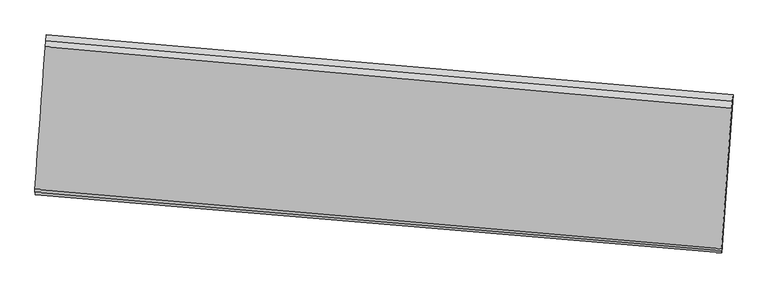
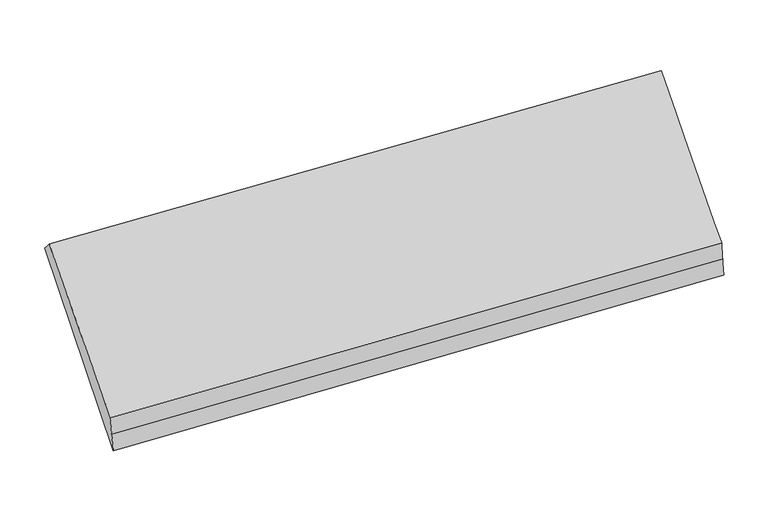
"""IFC4 building model written with IfcOpenShell, lengths in millimetres: proxy geometry."""

from ifc_helpers import new_model, si_unit, frame, origin, place, context, project, spatial, source, transform, mapped, element, save
from ifc_brep_helpers import plane_surface, spline_surface, advanced_brep


def generic_models_e1e66f93(model_context):
    return source(origin(), model_context, "Body", "AdvancedBrep", [
        advanced_brep(
        [(-5198.7093469, -733.9020101, 2320.5786746), (-5203.0823969, -775.3702643, 2364.5174357), (-444.8847935, -1194.948738, 2451.7507322), (-440.0474141, -1149.0773947, 2403.1465642), (-5277.055847, -1842.3563638, 1266.6509158), (-517.3588443, -2242.8874728, 1363.1427063), (-5277.6289556, -1822.8160371, 1398.2082865), (-518.480908, -2229.7460308, 1494.2050227), (-5278.2020641, -1803.2757103, 1529.7656573), (-519.6029716, -2216.6045887, 1625.2673392), (-5207.455447, -816.8385184, 2408.4561968), (-449.722173, -1240.8200813, 2500.3549003)],
        [
            (0, 1),
            (1, 2),
            (2, 3),
            (3, 0),
            (4, 0),
            (3, 5),
            (5, 4),
            (6, 4),
            (5, 7),
            (7, 6),
            (8, 6),
            (7, 9),
            (9, 8),
            (10, 8),
            (9, 11),
            (11, 10),
            (1, 10),
            (11, 2),
        ],
        [
            plane_surface(frame((-5200.8958719, -754.6361372, 2342.5480551), z_axis=(0.051204547229899124, 0.7237536946487931, 0.6881560025351828), x_axis=(-0.07219209121731847, -0.6845748216603724, 0.7253589563204825))),
            plane_surface(frame((-5237.8825969, -1288.129187, 1793.6147952), z_axis=(0.07231139540463478, 0.6845644220396698, -0.7253568874506726), x_axis=(0.051155829192335855, 0.7237579401963631, 0.6881551606595437))),
            spline_surface(1, 1, [[(-5277.6289556, -1822.8160371, 1398.2082865), (-518.480908, -2229.7460308, 1494.2050227)], [(-5277.055847, -1842.3563638, 1266.6509158), (-517.3588443, -2242.8874728, 1363.1427063)]], [2, 2], [2, 2], [0.0, 1.0], [0.0, 1.0]),
            spline_surface(1, 1, [[(-5278.2020641, -1803.2757103, 1529.7656573), (-519.6029716, -2216.6045887, 1625.2673392)], [(-5277.6289556, -1822.8160371, 1398.2082865), (-518.480908, -2229.7460308, 1494.2050227)]], [2, 2], [2, 2], [0.0, 1.0], [0.0, 1.0]),
            spline_surface(1, 1, [[(-5207.455447, -816.8385184, 2408.4561968), (-449.722173, -1240.8200813, 2500.3549003)], [(-5278.2020641, -1803.2757103, 1529.7656573), (-519.6029716, -2216.6045887, 1625.2673392)]], [2, 2], [2, 2], [0.0, 1.0], [0.0, 1.0]),
            plane_surface(frame((-5205.268922, -796.1043913, 2386.4868162), z_axis=(0.051204547229898804, 0.7237536946487902, 0.6881560025351859), x_axis=(-0.07219209121731958, -0.6845748216603755, 0.7253589563204796))),
            plane_surface(frame((-481.6828508, -1712.3473844, 1972.9778775), z_axis=(0.9960780005126671, -0.08678569900267404, 0.01722960659169337), x_axis=(0.008518274720250818, -0.09976476275775287, -0.9949745881718184))),
            plane_surface(frame((-5240.3556763, -1299.0931507, 1881.3628611), z_axis=(-0.9960780005126687, 0.0867856990026594, -0.017229606591678985), x_axis=(0.07219209121731293, 0.6845748216603745, -0.7253589563204811))),
        ],
        [
            (0, [[1, 2, 3, 4]]),
            (1, [[5, -4, 6, 7]]),
            (2, [[8, -7, 9, 10]]),
            (3, [[11, -10, 12, 13]]),
            (4, [[14, -13, 15, 16]]),
            (5, [[17, -16, 18, -2]]),
            (6, [[-12, -9, -6, -3, -18, -15]]),
            (7, [[-1, -5, -8, -11, -14, -17]]),
        ],
    ),
    ])


if __name__ == "__main__":
    model = new_model("IFC4")
    model_context = context("Model", 3, world=origin())
    ifc_project = project(units=[si_unit("LENGTHUNIT", "METRE", prefix="MILLI")], contexts=[model_context])
    site = spatial("IfcSite", under=ifc_project)
    building = spatial("IfcBuilding", under=site)
    placement = place(None, origin())
    generic_models_shape = generic_models_e1e66f93(model_context)
    element("IfcBuildingElementProxy", 1, Name="Generic Models", at=placement, inside=building, context=model_context, shape_type="MappedRepresentation", body=[
        mapped(generic_models_shape, transform((0.0, 0.0, 0.0), x_axis=(1.0, 0.0, 0.0), y_axis=(0.0, 1.0, 0.0), z_axis=(0.0, 0.0, 1.0))),
    ])
    save(model, "model.ifc")
